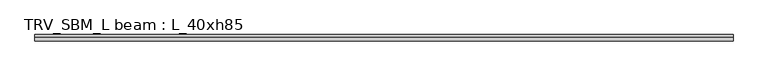
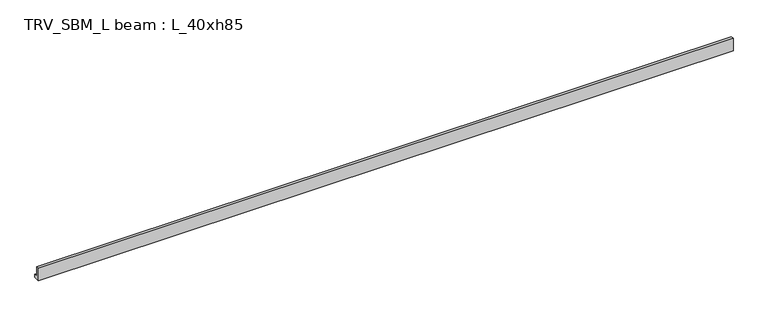
"""IFC4 building model written with IfcOpenShell, lengths in millimetres: beam geometry, TRV_SBM_L beam : L_40xh85."""

from ifc_helpers import new_model, si_unit, frame, origin, place, context, project, spatial, polyline, outline, extrude, source, transform, mapped, element, save


def trv_sbm_l_beam_l_40xh85_b8e94d8f(model_context):
    return source(origin(), model_context, "Body", "SweptSolid", [
        extrude(outline(polyline([(-115.0, -100.0), (-115.0, 750.0), (105.0, 750.0), (105.0, 100.0), (285.0, 100.0), (285.0, -100.0), (-115.0, -100.0)])), frame((-22408.4012532, 0.0, 0.0), z_axis=(1.0, 0.0, 0.0), x_axis=(0.0, 1.0, 0.0)), (0.0, 0.0, 1.0), 45012.4012532),
    ])


if __name__ == "__main__":
    model = new_model("IFC4")
    model_context = context("Model", 3, world=origin())
    ifc_project = project(units=[si_unit("LENGTHUNIT", "METRE", prefix="MILLI")], contexts=[model_context])
    site = spatial("IfcSite", under=ifc_project)
    building = spatial("IfcBuilding", under=site)
    placement = place(None, origin())
    trv_sbm_l_beam_l_40xh85_shape = trv_sbm_l_beam_l_40xh85_b8e94d8f(model_context)
    element("IfcBeam", 1, ObjectType="TRV_SBM_L beam : L_40xh85", at=placement, inside=building, context=model_context, shape_type="MappedRepresentation", body=[
        mapped(trv_sbm_l_beam_l_40xh85_shape, transform((0.0, 0.0, 0.0), x_axis=(1.0, 0.0, 0.0), y_axis=(0.0, 1.0, 0.0), z_axis=(0.0, 0.0, 1.0))),
    ])
    save(model, "model.ifc")
